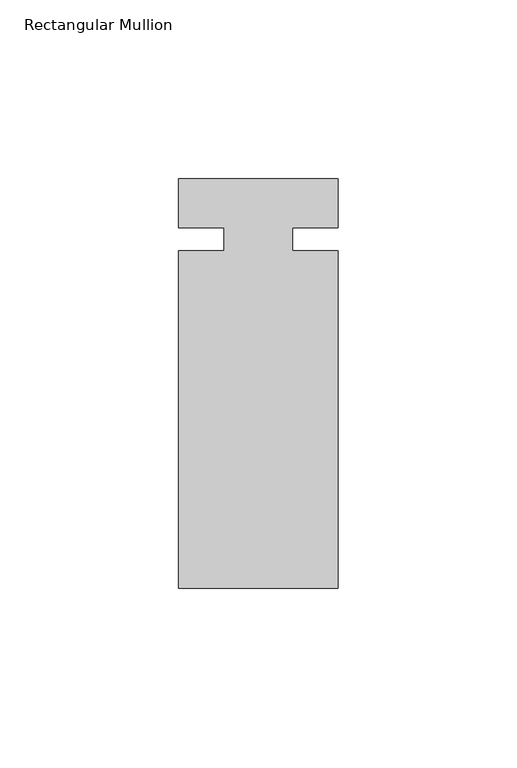
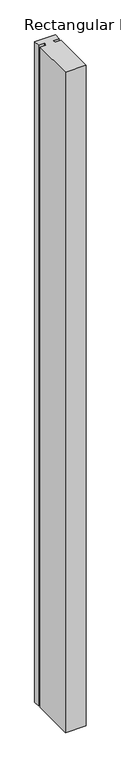
"""IFC4 building model written with IfcOpenShell, lengths in millimetres: member geometry, Rectangular Mullion."""

from ifc_helpers import new_model, si_unit, frame, origin, place, context, project, spatial, polyline, outline, extrude, source, transform, mapped, element, save


def rectangular_mullion_484312ab(model_context):
    return source(origin(), model_context, "Body", "SweptSolid", [
        extrude(outline(polyline([(22.225, 16.8532346), (22.225, 3.175), (9.5232296, 3.175), (9.5232296, -3.175), (22.225, -3.175), (22.225, -97.4467654), (-22.225, -97.4467654), (-22.225, -3.175), (-9.525, -3.175), (-9.525, 3.175), (-22.225, 3.175), (-22.225, 16.8532346), (22.225, 16.8532346)])), frame((0.0, 0.0, -1497.4405973), z_axis=(0.0, 0.0, 1.0), x_axis=(1.0, 0.0, 0.0)), (0.0, 0.0, 1.0), 1497.4405973),
    ])


if __name__ == "__main__":
    model = new_model("IFC4")
    model_context = context("Model", 3, world=origin())
    ifc_project = project(units=[si_unit("LENGTHUNIT", "METRE", prefix="MILLI")], contexts=[model_context])
    site = spatial("IfcSite", under=ifc_project)
    building = spatial("IfcBuilding", under=site)
    placement = place(None, origin())
    rectangular_mullion_shape = rectangular_mullion_484312ab(model_context)
    element("IfcMember", 1, ObjectType="Rectangular Mullion", at=placement, inside=building, context=model_context, shape_type="MappedRepresentation", body=[
        mapped(rectangular_mullion_shape, transform((0.0, 0.0, 0.0), x_axis=(1.0, 0.0, 0.0), y_axis=(0.0, 1.0, 0.0), z_axis=(0.0, 0.0, 1.0))),
    ])
    save(model, "model.ifc")
